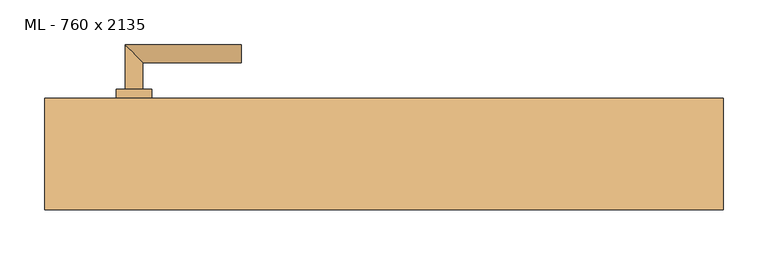
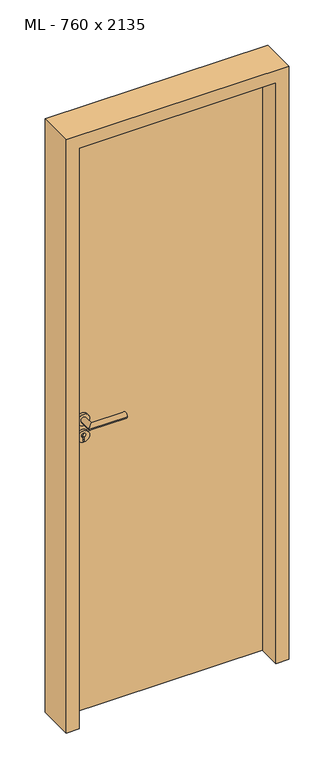
"""IFC4 building model written with IfcOpenShell, lengths in millimetres: door geometry, ML - 760 x 2135."""

from ifc_helpers import new_model, si_unit, point, frame, frame_2d, origin, origin_with_axes, place, context, project, spatial, polyline, circle_curve, ellipse_curve, trimmed, segment, composite_curve, outline, extrude, faceted_brep, source, transform, mapped, element, save
from ifc_brep_helpers import plane_surface, cylinder_surface, advanced_brep


def ml_760_x_2135_c1885a7a(model_context):
    return source(origin(), model_context, "Body", "SolidModel", [
        extrude(outline(polyline([(346.0, 62.5), (346.0, 17.5), (-346.0, 17.5), (-346.0, 62.5), (346.0, 62.5)])), origin_with_axes(), (0.0, 0.0, 1.0), 2101.0),
        advanced_brep(
        [(-270.0, 72.5, 1050.0), (-290.0, 72.5, 1050.0), (-270.0, 102.5, 1050.0), (-290.0, 122.5, 1050.0), (-160.0, 102.5, 1050.0), (-160.0, 122.5, 1050.0)],
        [
            (0, 1, circle_curve(frame((-280.0, 72.5, 1050.0), z_axis=(0.0, -1.0, 0.0), x_axis=(-1.0, 0.0, 0.0)), 10.0)),
            (1, 0, circle_curve(frame((-280.0, 72.5, 1050.0), z_axis=(0.0, -1.0, 0.0), x_axis=(-1.0, 0.0, 0.0)), 10.0)),
            (0, 2),
            (2, 3, ellipse_curve(frame((-280.0, 112.5, 1050.0), z_axis=(-0.7071067811865531, -0.7071067811865419, 0.0), x_axis=(0.707106781186542, -0.707106781186553, 0.0)), 14.1421356, 10.0)),
            (3, 1),
            (3, 2, ellipse_curve(frame((-280.0, 112.5, 1050.0), z_axis=(-0.7071067811865531, -0.7071067811865419, 0.0), x_axis=(0.707106781186542, -0.707106781186553, 0.0)), 14.1421356, 10.0)),
            (4, 5, circle_curve(frame((-160.0, 112.5, 1050.0), z_axis=(1.0, 0.0, 0.0), x_axis=(0.0, 1.0, 0.0)), 10.0)),
            (5, 4, circle_curve(frame((-160.0, 112.5, 1050.0), z_axis=(1.0, 0.0, 0.0), x_axis=(0.0, 1.0, 0.0)), 10.0)),
            (2, 4),
            (5, 3),
        ],
        [
            plane_surface(frame((-280.0, 72.5, 1050.0), z_axis=(0.0, -1.0, 0.0), x_axis=(0.0, 0.0, 1.0))),
            cylinder_surface(frame((-280.0, 72.5, 1050.0), z_axis=(0.0, -1.0, 0.0), x_axis=(-1.0, 0.0, 0.0)), 10.0),
            plane_surface(frame((-160.0, 112.5, 1050.0), z_axis=(1.0, 0.0, 0.0), x_axis=(0.0, 0.0, 1.0))),
            cylinder_surface(frame((-280.0, 112.5, 1050.0), z_axis=(-1.0, 0.0, 0.0), x_axis=(0.0, 1.0, 0.0)), 10.0),
        ],
        [
            (0, [[1, 2]]),
            (1, [[-1, 3, 4, 5]]),
            (1, [[-2, -5, 6, -3]]),
            (2, [[7, 8]]),
            (3, [[-4, 9, -8, 10]]),
            (3, [[-6, -10, -7, -9]]),
        ],
    ),
        extrude(outline(composite_curve([segment(trimmed(circle_curve(frame_2d((990.0, -280.0)), 20.0), [point((990.0, -300.0))], [point((990.0, -260.0))], False, "CARTESIAN"), True, "CONTINUOUS"), segment(trimmed(circle_curve(frame_2d((990.0, -280.0)), 20.0), [point((990.0, -260.0))], [point((990.0, -300.0))], False, "CARTESIAN"), True, "CONTINUOUS")], self_intersect=False), holes=[composite_curve([segment(polyline([(976.4601385, -282.397268), (988.4749012, -282.397268)]), True, "CONTINUOUS"), segment(trimmed(circle_curve(frame_2d((995.0361633, -280.0)), 6.9854888), [point((988.4749012, -282.397268))], [point((988.4749012, -277.602732))], True, "CARTESIAN"), True, "CONTINUOUS"), segment(polyline([(988.4749012, -277.602732), (976.4601385, -277.602732)]), True, "CONTINUOUS"), segment(trimmed(circle_curve(frame_2d((976.4601385, -280.0)), 2.397268), [point((976.4601385, -277.602732))], [point((976.4601385, -282.397268))], True, "CARTESIAN"), True, "CONTINUOUS")], self_intersect=False)]), frame((0.0, 62.5, 0.0), z_axis=(0.0, 1.0, 0.0), x_axis=(0.0, 0.0, 1.0)), (0.0, 0.0, 1.0), 10.0),
        advanced_brep(
        [(-270.0, 72.5, 1050.0), (-290.0, 72.5, 1050.0), (-270.0, 102.5, 1050.0), (-290.0, 122.5, 1050.0), (-160.0, 102.5, 1050.0), (-160.0, 122.5, 1050.0)],
        [
            (0, 1, circle_curve(frame((-280.0, 72.5, 1050.0), z_axis=(0.0, -1.0, 0.0), x_axis=(-1.0, 0.0, 0.0)), 10.0)),
            (1, 0, circle_curve(frame((-280.0, 72.5, 1050.0), z_axis=(0.0, -1.0, 0.0), x_axis=(-1.0, 0.0, 0.0)), 10.0)),
            (0, 2),
            (2, 3, ellipse_curve(frame((-280.0, 112.5, 1050.0), z_axis=(-0.7071067811865537, -0.7071067811865414, 0.0), x_axis=(0.7071067811865414, -0.7071067811865536, 0.0)), 14.1421356, 10.0)),
            (3, 1),
            (3, 2, ellipse_curve(frame((-280.0, 112.5, 1050.0), z_axis=(-0.7071067811865537, -0.7071067811865414, 0.0), x_axis=(0.7071067811865414, -0.7071067811865536, 0.0)), 14.1421356, 10.0)),
            (4, 5, circle_curve(frame((-160.0, 112.5, 1050.0), z_axis=(1.0, 0.0, 0.0), x_axis=(0.0, 1.0, 0.0)), 10.0)),
            (5, 4, circle_curve(frame((-160.0, 112.5, 1050.0), z_axis=(1.0, 0.0, 0.0), x_axis=(0.0, 1.0, 0.0)), 10.0)),
            (2, 4),
            (5, 3),
        ],
        [
            plane_surface(frame((-280.0, 72.5, 1050.0), z_axis=(0.0, -1.0, 0.0), x_axis=(0.0, 0.0, 1.0))),
            cylinder_surface(frame((-280.0, 72.5, 1050.0), z_axis=(0.0, -1.0, 0.0), x_axis=(-1.0, 0.0, 0.0)), 10.0),
            plane_surface(frame((-160.0, 112.5, 1050.0), z_axis=(1.0, 0.0, 0.0), x_axis=(0.0, 0.0, 1.0))),
            cylinder_surface(frame((-280.0, 112.5, 1050.0), z_axis=(-1.0, 0.0, 0.0), x_axis=(0.0, 1.0, 0.0)), 10.0),
        ],
        [
            (0, [[1, 2]]),
            (1, [[-1, 3, 4, 5]]),
            (1, [[-2, -5, 6, -3]]),
            (2, [[7, 8]]),
            (3, [[-4, 9, -8, 10]]),
            (3, [[-6, -10, -7, -9]]),
        ],
    ),
        extrude(outline(composite_curve([segment(trimmed(circle_curve(frame_2d((1050.0, -280.0)), 20.0), [point((1050.0, -300.0))], [point((1050.0, -260.0))], False, "CARTESIAN"), True, "CONTINUOUS"), segment(trimmed(circle_curve(frame_2d((1050.0, -280.0)), 20.0), [point((1050.0, -260.0))], [point((1050.0, -300.0))], False, "CARTESIAN"), True, "CONTINUOUS")], self_intersect=False)), frame((0.0, 62.5, 0.0), z_axis=(0.0, 1.0, 0.0), x_axis=(0.0, 0.0, 1.0)), (0.0, 0.0, 1.0), 10.0),
        advanced_brep(
        [(-270.0, 7.5, 1050.0), (-290.0, 7.5, 1050.0), (-290.0, -42.5, 1050.0), (-270.0, -22.5, 1050.0), (-160.0, -22.5, 1050.0), (-160.0, -42.5, 1050.0)],
        [
            (0, 1, circle_curve(frame((-280.0, 7.5, 1050.0), z_axis=(0.0, 1.0, 0.0), x_axis=(-1.0, 0.0, 0.0)), 10.0)),
            (1, 0, circle_curve(frame((-280.0, 7.5, 1050.0), z_axis=(0.0, 1.0, 0.0), x_axis=(-1.0, 0.0, 0.0)), 10.0)),
            (1, 2),
            (2, 3, ellipse_curve(frame((-280.0, -32.5, 1050.0), z_axis=(-0.7071067811865486, 0.7071067811865464, 0.0), x_axis=(0.7071067811865464, 0.7071067811865488, 0.0)), 14.1421356, 10.0)),
            (3, 0),
            (3, 2, ellipse_curve(frame((-280.0, -32.5, 1050.0), z_axis=(-0.7071067811865486, 0.7071067811865464, 0.0), x_axis=(0.7071067811865464, 0.7071067811865488, 0.0)), 14.1421356, 10.0)),
            (4, 5, circle_curve(frame((-160.0, -32.5, 1050.0), z_axis=(1.0, 0.0, 0.0), x_axis=(0.0, -1.0, 0.0)), 10.0)),
            (5, 4, circle_curve(frame((-160.0, -32.5, 1050.0), z_axis=(1.0, 0.0, 0.0), x_axis=(0.0, -1.0, 0.0)), 10.0)),
            (2, 5),
            (4, 3),
        ],
        [
            plane_surface(frame((-280.0, 7.5, 1050.0), z_axis=(0.0, 1.0, 0.0), x_axis=(0.0, 0.0, 1.0))),
            cylinder_surface(frame((-280.0, 7.5, 1050.0), z_axis=(0.0, 1.0, 0.0), x_axis=(-1.0, 0.0, 0.0)), 10.0),
            plane_surface(frame((-160.0, -32.5, 1050.0), z_axis=(1.0, 0.0, 0.0), x_axis=(0.0, 0.0, 1.0))),
            cylinder_surface(frame((-280.0, -32.5, 1050.0), z_axis=(-1.0, 0.0, 0.0), x_axis=(0.0, -1.0, 0.0)), 10.0),
        ],
        [
            (0, [[1, 2]]),
            (1, [[3, 4, 5, -2]]),
            (1, [[-5, 6, -3, -1]]),
            (2, [[7, 8]]),
            (3, [[9, -7, 10, -4]]),
            (3, [[-10, -8, -9, -6]]),
        ],
    ),
        extrude(outline(composite_curve([segment(trimmed(circle_curve(frame_2d((990.0, -280.0)), 20.0), [point((990.0, -300.0))], [point((990.0, -260.0))], False, "CARTESIAN"), True, "CONTINUOUS"), segment(trimmed(circle_curve(frame_2d((990.0, -280.0)), 20.0), [point((990.0, -260.0))], [point((990.0, -300.0))], False, "CARTESIAN"), True, "CONTINUOUS")], self_intersect=False), holes=[composite_curve([segment(polyline([(976.4601385, -282.397268), (988.4749012, -282.397268)]), True, "CONTINUOUS"), segment(trimmed(circle_curve(frame_2d((995.0361633, -280.0)), 6.9854888), [point((988.4749012, -282.397268))], [point((988.4749012, -277.602732))], True, "CARTESIAN"), True, "CONTINUOUS"), segment(polyline([(988.4749012, -277.602732), (976.4601385, -277.602732)]), True, "CONTINUOUS"), segment(trimmed(circle_curve(frame_2d((976.4601385, -280.0)), 2.397268), [point((976.4601385, -277.602732))], [point((976.4601385, -282.397268))], True, "CARTESIAN"), True, "CONTINUOUS")], self_intersect=False)]), frame((0.0, 7.5, 0.0), z_axis=(0.0, 1.0, 0.0), x_axis=(0.0, 0.0, 1.0)), (0.0, 0.0, 1.0), 10.0),
        advanced_brep(
        [(-270.0, 7.5, 1050.0), (-290.0, 7.5, 1050.0), (-290.0, -42.5, 1050.0), (-270.0, -22.5, 1050.0), (-160.0, -22.5, 1050.0), (-160.0, -42.5, 1050.0)],
        [
            (0, 1, circle_curve(frame((-280.0, 7.5, 1050.0), z_axis=(0.0, 1.0, 0.0), x_axis=(-1.0, 0.0, 0.0)), 10.0)),
            (1, 0, circle_curve(frame((-280.0, 7.5, 1050.0), z_axis=(0.0, 1.0, 0.0), x_axis=(-1.0, 0.0, 0.0)), 10.0)),
            (1, 2),
            (2, 3, ellipse_curve(frame((-280.0, -32.5, 1050.0), z_axis=(-0.7071067811865491, 0.7071067811865459, 0.0), x_axis=(0.7071067811865458, 0.7071067811865492, 0.0)), 14.1421356, 10.0)),
            (3, 0),
            (3, 2, ellipse_curve(frame((-280.0, -32.5, 1050.0), z_axis=(-0.7071067811865491, 0.7071067811865459, 0.0), x_axis=(0.7071067811865458, 0.7071067811865492, 0.0)), 14.1421356, 10.0)),
            (4, 5, circle_curve(frame((-160.0, -32.5, 1050.0), z_axis=(1.0, 0.0, 0.0), x_axis=(0.0, -1.0, 0.0)), 10.0)),
            (5, 4, circle_curve(frame((-160.0, -32.5, 1050.0), z_axis=(1.0, 0.0, 0.0), x_axis=(0.0, -1.0, 0.0)), 10.0)),
            (2, 5),
            (4, 3),
        ],
        [
            plane_surface(frame((-280.0, 7.5, 1050.0), z_axis=(0.0, 1.0, 0.0), x_axis=(0.0, 0.0, 1.0))),
            cylinder_surface(frame((-280.0, 7.5, 1050.0), z_axis=(0.0, 1.0, 0.0), x_axis=(-1.0, 0.0, 0.0)), 10.0),
            plane_surface(frame((-160.0, -32.5, 1050.0), z_axis=(1.0, 0.0, 0.0), x_axis=(0.0, 0.0, 1.0))),
            cylinder_surface(frame((-280.0, -32.5, 1050.0), z_axis=(-1.0, 0.0, 0.0), x_axis=(0.0, -1.0, 0.0)), 10.0),
        ],
        [
            (0, [[1, 2]]),
            (1, [[3, 4, 5, -2]]),
            (1, [[-5, 6, -3, -1]]),
            (2, [[7, 8]]),
            (3, [[9, -7, 10, -4]]),
            (3, [[-10, -8, -9, -6]]),
        ],
    ),
        extrude(outline(composite_curve([segment(trimmed(circle_curve(frame_2d((1050.0, -280.0)), 20.0), [point((1050.0, -300.0))], [point((1050.0, -260.0))], False, "CARTESIAN"), True, "CONTINUOUS"), segment(trimmed(circle_curve(frame_2d((1050.0, -280.0)), 20.0), [point((1050.0, -260.0))], [point((1050.0, -300.0))], False, "CARTESIAN"), True, "CONTINUOUS")], self_intersect=False)), frame((0.0, 7.5, 0.0), z_axis=(0.0, 1.0, 0.0), x_axis=(0.0, 0.0, 1.0)), (0.0, 0.0, 1.0), 10.0),
        faceted_brep([(-350.0, 62.5, 0.0), (-350.0, 17.5, 0.0), (-335.0, 17.5, 0.0), (-335.0, -62.5, 0.0), (-380.0, -62.5, 0.0), (-380.0, 62.5, 0.0), (-350.0, 62.5, 2105.0), (-350.0, 17.5, 2105.0), (350.0, 17.5, 2105.0), (350.0, 17.5, 0.0), (335.0, 17.5, 0.0), (335.0, 17.5, 2090.0), (-335.0, 17.5, 2090.0), (-335.0, -62.5, 2090.0), (335.0, -62.5, 2090.0), (335.0, -62.5, 0.0), (380.0, -62.5, 0.0), (380.0, -62.5, 2135.0), (-380.0, -62.5, 2135.0), (-380.0, 62.5, 2135.0), (380.0, 62.5, 2135.0), (380.0, 62.5, 0.0), (350.0, 62.5, 0.0), (350.0, 62.5, 2105.0)], [[[0, 1, 2, 3, 4, 5]], [[1, 0, 6, 7]], [[2, 1, 7, 8, 9, 10, 11, 12]], [[3, 2, 12, 13]], [[4, 3, 13, 14, 15, 16, 17, 18]], [[5, 4, 18, 19]], [[0, 5, 19, 20, 21, 22, 23, 6]], [[20, 17, 16, 21]], [[22, 21, 16, 15, 10, 9]], [[8, 23, 22, 9]], [[14, 11, 10, 15]], [[19, 18, 17, 20]], [[13, 12, 11, 14]], [[7, 6, 23, 8]]]),
    ])


if __name__ == "__main__":
    model = new_model("IFC4")
    model_context = context("Model", 3, world=origin())
    ifc_project = project(units=[si_unit("LENGTHUNIT", "METRE", prefix="MILLI")], contexts=[model_context])
    site = spatial("IfcSite", under=ifc_project)
    building = spatial("IfcBuilding", under=site)
    placement = place(None, origin())
    ml_760_x_2135_shape = ml_760_x_2135_c1885a7a(model_context)
    element("IfcDoor", 1, ObjectType="ML - 760 x 2135", at=placement, inside=building, context=model_context, shape_type="MappedRepresentation", body=[
        mapped(ml_760_x_2135_shape, transform((0.0, 0.0, 0.0), x_axis=(1.0, 0.0, 0.0), y_axis=(0.0, 1.0, 0.0), z_axis=(0.0, 0.0, 1.0))),
    ])
    save(model, "model.ifc")
